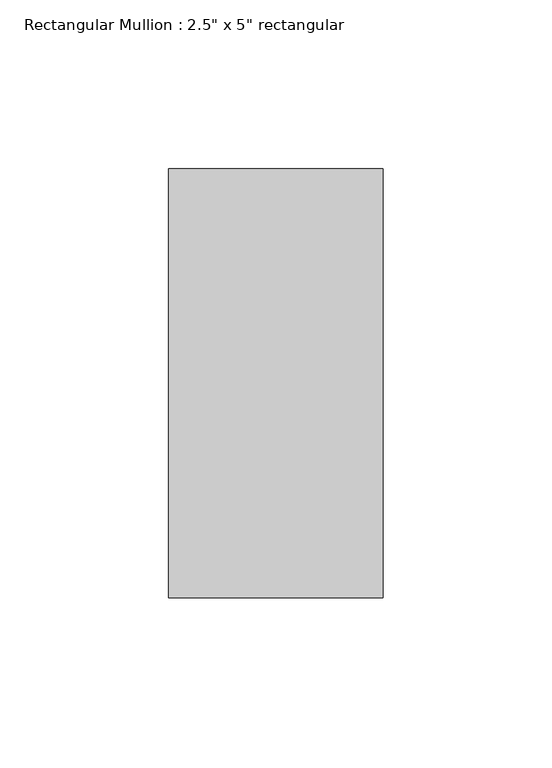
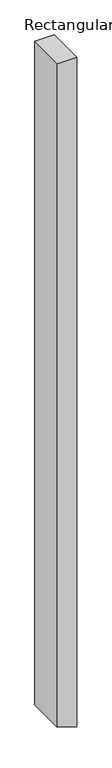
"""IFC4 building model written with IfcOpenShell, lengths in millimetres: member geometry."""

import ifcopenshell
import ifcopenshell.guid

model = None  # the IFC model being written
_history = None  # IfcOwnerHistory: only IFC2X3 demands one
_inside = {}  # id of a spatial element -> (the spatial element, [elements in it])
_under = {}  # id of a project, library or spatial element -> (it, [spatial elements below it])
_declared = {}  # id of a project -> (the project, [libraries it declares])
_typed = {}  # id of a type object -> (the type object, [elements of that type])
_made_of = {}  # id of a material, layer set ... -> (it, [elements and type objects made of it])


def new_model(schema):
    """Start an empty IFC model of exactly this schema.

    Asked for "IFC4X3", IfcOpenShell would pick the latest addendum, in which some entities
    have other attributes; the version numbers below select the first issue.
    IFC2X3 requires an IfcOwnerHistory on every rooted entity: one is made here for all.
    """
    global model, _history
    if schema == "IFC4X3":
        model = ifcopenshell.file(schema_version=(4, 3, 0, 0))
    else:
        model = ifcopenshell.file(schema=schema)
    _inside.clear()
    _under.clear()
    _declared.clear()
    _typed.clear()
    _made_of.clear()
    _history = None
    if model.schema == "IFC2X3":
        org = make("IfcOrganization", Name="unknown")
        user = make(
            "IfcPersonAndOrganization",
            ThePerson=make("IfcPerson", FamilyName="unknown"),
            TheOrganization=org,
        )
        app = make(
            "IfcApplication",
            ApplicationDeveloper=org,
            Version="unknown",
            ApplicationFullName="unknown",
            ApplicationIdentifier="unknown",
        )
        _history = make(
            "IfcOwnerHistory",
            OwningUser=user,
            OwningApplication=app,
            ChangeAction="ADDED",
            CreationDate=0,
        )
    return model


def make(cls, **values):
    """One entity of the class cls with the attributes given. An attribute that is None is left unset."""
    return model.create_entity(
        cls, **{name: value for name, value in values.items() if value is not None}
    )


def rooted(cls, **values):
    """An entity with a GlobalId (a new one), such as an element, a storey or a relation."""
    return make(cls, GlobalId=ifcopenshell.guid.new(), OwnerHistory=_history, **values)


def si_unit(unit_type, name, prefix=None):
    """IfcSIUnit, for example si_unit("LENGTHUNIT", "METRE", prefix="MILLI")."""
    return make("IfcSIUnit", UnitType=unit_type, Prefix=prefix, Name=name)


def assignment(units):
    """IfcUnitAssignment: the units of a project."""
    return None if units is None else make("IfcUnitAssignment", Units=units)


def point(xyz):
    """IfcCartesianPoint."""
    return None if xyz is None else make("IfcCartesianPoint", Coordinates=xyz)


def direction(xyz):
    """IfcDirection."""
    return None if xyz is None else make("IfcDirection", DirectionRatios=xyz)


def frame(location, z_axis=None, x_axis=None):
    """IfcAxis2Placement3D, a coordinate frame: its origin and axes. An axis left out is left unset."""
    return make(
        "IfcAxis2Placement3D",
        Location=point(location),
        Axis=direction(z_axis),
        RefDirection=direction(x_axis),
    )


def origin():
    """The frame at (0, 0, 0) with its axes left unset."""
    return frame((0.0, 0.0, 0.0))


def place(relative_to, where):
    """IfcLocalPlacement: puts the frame where relative to a parent placement (None: the world)."""
    return make(
        "IfcLocalPlacement", PlacementRelTo=relative_to, RelativePlacement=where
    )


def context(
    kind, dimensions, precision=None, world=None, true_north=None, identifier=None
):
    """IfcGeometricRepresentationContext, for example the 3D "Model" context."""
    return make(
        "IfcGeometricRepresentationContext",
        ContextIdentifier=identifier,
        ContextType=kind,
        CoordinateSpaceDimension=dimensions,
        Precision=precision,
        WorldCoordinateSystem=world,
        TrueNorth=true_north,
    )


def project(units=None, contexts=None):
    """IfcProject with its units and contexts."""
    return rooted(
        "IfcProject",
        Name="project",
        RepresentationContexts=contexts,
        UnitsInContext=assignment(units),
    )


def spatial(cls, under=None, at=None, **own):
    """A site, building, storey or space (cls), placed at a placement, below another one or the project."""
    s = rooted(cls, ObjectPlacement=at, **own)
    if under is not None:
        _under.setdefault(under.id(), (under, []))[1].append(s)
    return s


def polyline(points):
    """IfcPolyline through the points."""
    return make("IfcPolyline", Points=[point(p) for p in points])


def outline(outer, holes=None, kind="AREA"):
    """IfcArbitraryClosedProfileDef: a profile drawn as a closed curve; with holes, ...WithVoids."""
    if holes is None:
        return make("IfcArbitraryClosedProfileDef", ProfileType=kind, OuterCurve=outer)
    return make(
        "IfcArbitraryProfileDefWithVoids",
        ProfileType=kind,
        OuterCurve=outer,
        InnerCurves=holes,
    )


def extrude(swept, where, along, depth):
    """IfcExtrudedAreaSolid: the profile swept, set in the frame where, extruded along a direction by depth."""
    return make(
        "IfcExtrudedAreaSolid",
        SweptArea=swept,
        Position=where,
        ExtrudedDirection=direction(along),
        Depth=depth,
    )


def shape(context_of_items, identifier, shape_type, items):
    """IfcShapeRepresentation: the items that make up one representation, for example the "Body"."""
    return make(
        "IfcShapeRepresentation",
        ContextOfItems=context_of_items,
        RepresentationIdentifier=identifier,
        RepresentationType=shape_type,
        Items=items,
    )


def source(mapping_origin, context_of_items, identifier, shape_type, items):
    """IfcRepresentationMap: a shape defined once, which mapped items show again and again."""
    return make(
        "IfcRepresentationMap",
        MappingOrigin=mapping_origin,
        MappedRepresentation=shape(context_of_items, identifier, shape_type, items),
    )


def transform(
    local_origin,
    x_axis=None,
    y_axis=None,
    z_axis=None,
    scale=None,
    scale2=None,
    scale3=None,
    uniform=True,
):
    """IfcCartesianTransformationOperator3D, or its non-uniform kind. x_axis, y_axis, z_axis: its Axis1, 2, 3."""
    if uniform:
        return make(
            "IfcCartesianTransformationOperator3D",
            Axis1=direction(x_axis),
            Axis2=direction(y_axis),
            LocalOrigin=point(local_origin),
            Scale=scale,
            Axis3=direction(z_axis),
        )
    return make(
        "IfcCartesianTransformationOperator3DnonUniform",
        Axis1=direction(x_axis),
        Axis2=direction(y_axis),
        LocalOrigin=point(local_origin),
        Scale=scale,
        Axis3=direction(z_axis),
        Scale2=scale2,
        Scale3=scale3,
    )


def mapped(mapping_source, mapping_target):
    """IfcMappedItem: shows the shape of a source again, moved by a transform."""
    return make(
        "IfcMappedItem", MappingSource=mapping_source, MappingTarget=mapping_target
    )


def made_of(thing, what):
    """Note that an element or type object is made of a material, layer set ...; save() writes the relation."""
    if what is not None:
        _made_of.setdefault(what.id(), (what, []))[1].append(thing)
    return thing


def element(
    cls,
    number,
    at=None,
    inside=None,
    cuts=None,
    type_object=None,
    material=None,
    context=None,
    identifier="Body",
    shape_type=None,
    held_by="IfcProductDefinitionShape",
    body=None,
    shapes=None,
    **own,
):
    """One element of the class cls, such as IfcWall. Its Tag is "e" and its number.

    at: its placement. inside: the storey or other place that contains it. cuts: it is an
    opening in that element (IfcRelVoidsElement). A single representation is given by context,
    identifier, shape_type and body (its items); several are given by shapes. held_by: the class
    of the entity that holds the representations. save() writes the other relations.
    """
    e = rooted(cls, Tag="e%d" % number, ObjectPlacement=at, **own)
    if body is not None:
        shapes = [shape(context, identifier, shape_type, body)]
    if shapes is not None:
        e.Representation = make(held_by, Representations=shapes)
    if inside is not None:
        _inside.setdefault(inside.id(), (inside, []))[1].append(e)
    if cuts is not None:
        rooted(
            "IfcRelVoidsElement", RelatingBuildingElement=cuts, RelatedOpeningElement=e
        )
    if type_object is not None:
        _typed.setdefault(type_object.id(), (type_object, []))[1].append(e)
    return made_of(e, material)


def aggregate(whole, parts):
    """IfcRelAggregates: a whole, such as a stair, and the parts it consists of."""
    return rooted("IfcRelAggregates", RelatingObject=whole, RelatedObjects=parts)


def save(model, path):
    """Write the relations noted so far, then the file.

    IfcRelAggregates (storeys below a building ...), IfcRelContainedInSpatialStructure (elements
    in a storey), IfcRelDefinesByType, IfcRelAssociatesMaterial and IfcRelDeclares: one each for
    every whole, place, type object, material and project.
    """
    for whole, parts in _under.values():
        aggregate(whole, parts)
    for where, things in _inside.values():
        rooted(
            "IfcRelContainedInSpatialStructure",
            RelatedElements=things,
            RelatingStructure=where,
        )
    for kind, things in _typed.values():
        rooted("IfcRelDefinesByType", RelatedObjects=things, RelatingType=kind)
    for what, things in _made_of.values():
        rooted("IfcRelAssociatesMaterial", RelatedObjects=things, RelatingMaterial=what)
    for by, libraries in _declared.values():
        rooted("IfcRelDeclares", RelatingContext=by, RelatedDefinitions=libraries)
    model.write(path)


def member_85b568b5(model_context):
    return source(origin(), model_context, "Body", "SweptSolid", [
        extrude(outline(polyline([(0.0, 31.75), (0.0, -31.75), (-2293.5761791, -31.75), (-2310.4715481, 19.7828002), (-2314.3950736, 31.75), (0.0, 31.75)])), frame((0.0, -63.5, 0.0), z_axis=(0.0, 1.0, 0.0), x_axis=(0.0, 0.0, 1.0)), (0.0, 0.0, 1.0), 127.0),
    ])


if __name__ == "__main__":
    model = new_model("IFC4")
    model_context = context("Model", 3, world=origin())
    ifc_project = project(units=[si_unit("LENGTHUNIT", "METRE", prefix="MILLI")], contexts=[model_context])
    site = spatial("IfcSite", under=ifc_project)
    building = spatial("IfcBuilding", under=site)
    placement = place(None, origin())
    member_shape = member_85b568b5(model_context)
    element("IfcMember", 1, ObjectType="Rectangular Mullion : 2.5\" x 5\" rectangular", at=placement, inside=building, context=model_context, shape_type="MappedRepresentation", body=[
        mapped(member_shape, transform((0.0, 0.0, 0.0), x_axis=(1.0, 0.0, 0.0), y_axis=(0.0, 1.0, 0.0), z_axis=(0.0, 0.0, 1.0))),
    ])
    save(model, "model.ifc")
